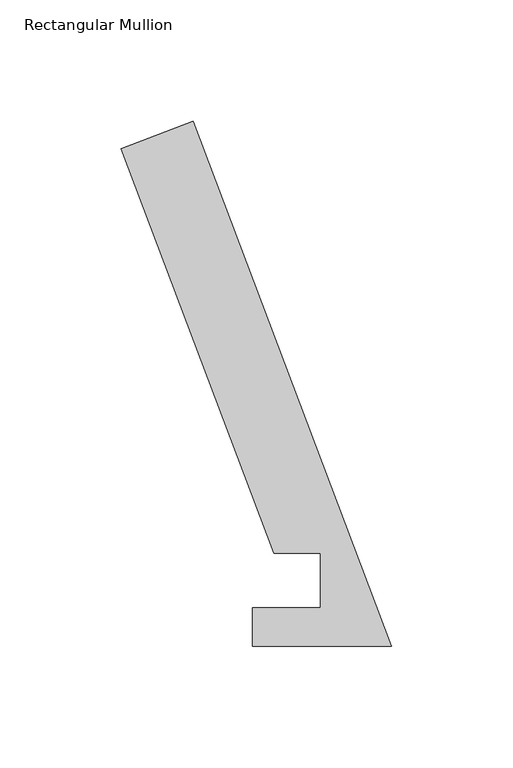
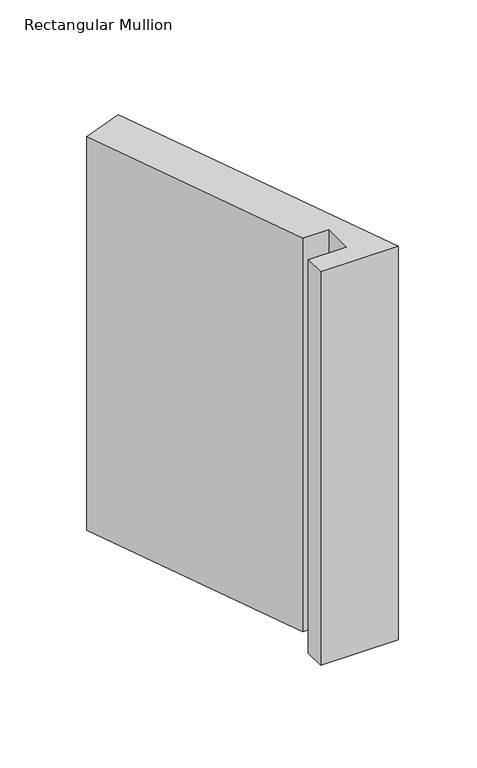
"""IFC4 building model written with IfcOpenShell, lengths in millimetres: member geometry, Rectangular Mullion."""

import ifcopenshell
import ifcopenshell.guid

model = None  # the IFC model being written
_history = None  # IfcOwnerHistory: only IFC2X3 demands one
_inside = {}  # id of a spatial element -> (the spatial element, [elements in it])
_under = {}  # id of a project, library or spatial element -> (it, [spatial elements below it])
_declared = {}  # id of a project -> (the project, [libraries it declares])
_typed = {}  # id of a type object -> (the type object, [elements of that type])
_made_of = {}  # id of a material, layer set ... -> (it, [elements and type objects made of it])


def new_model(schema):
    """Start an empty IFC model of exactly this schema.

    Asked for "IFC4X3", IfcOpenShell would pick the latest addendum, in which some entities
    have other attributes; the version numbers below select the first issue.
    IFC2X3 requires an IfcOwnerHistory on every rooted entity: one is made here for all.
    """
    global model, _history
    if schema == "IFC4X3":
        model = ifcopenshell.file(schema_version=(4, 3, 0, 0))
    else:
        model = ifcopenshell.file(schema=schema)
    _inside.clear()
    _under.clear()
    _declared.clear()
    _typed.clear()
    _made_of.clear()
    _history = None
    if model.schema == "IFC2X3":
        org = make("IfcOrganization", Name="unknown")
        user = make(
            "IfcPersonAndOrganization",
            ThePerson=make("IfcPerson", FamilyName="unknown"),
            TheOrganization=org,
        )
        app = make(
            "IfcApplication",
            ApplicationDeveloper=org,
            Version="unknown",
            ApplicationFullName="unknown",
            ApplicationIdentifier="unknown",
        )
        _history = make(
            "IfcOwnerHistory",
            OwningUser=user,
            OwningApplication=app,
            ChangeAction="ADDED",
            CreationDate=0,
        )
    return model


def make(cls, **values):
    """One entity of the class cls with the attributes given. An attribute that is None is left unset."""
    return model.create_entity(
        cls, **{name: value for name, value in values.items() if value is not None}
    )


def rooted(cls, **values):
    """An entity with a GlobalId (a new one), such as an element, a storey or a relation."""
    return make(cls, GlobalId=ifcopenshell.guid.new(), OwnerHistory=_history, **values)


def si_unit(unit_type, name, prefix=None):
    """IfcSIUnit, for example si_unit("LENGTHUNIT", "METRE", prefix="MILLI")."""
    return make("IfcSIUnit", UnitType=unit_type, Prefix=prefix, Name=name)


def assignment(units):
    """IfcUnitAssignment: the units of a project."""
    return None if units is None else make("IfcUnitAssignment", Units=units)


def point(xyz):
    """IfcCartesianPoint."""
    return None if xyz is None else make("IfcCartesianPoint", Coordinates=xyz)


def direction(xyz):
    """IfcDirection."""
    return None if xyz is None else make("IfcDirection", DirectionRatios=xyz)


def frame(location, z_axis=None, x_axis=None):
    """IfcAxis2Placement3D, a coordinate frame: its origin and axes. An axis left out is left unset."""
    return make(
        "IfcAxis2Placement3D",
        Location=point(location),
        Axis=direction(z_axis),
        RefDirection=direction(x_axis),
    )


def origin():
    """The frame at (0, 0, 0) with its axes left unset."""
    return frame((0.0, 0.0, 0.0))


def place(relative_to, where):
    """IfcLocalPlacement: puts the frame where relative to a parent placement (None: the world)."""
    return make(
        "IfcLocalPlacement", PlacementRelTo=relative_to, RelativePlacement=where
    )


def context(
    kind, dimensions, precision=None, world=None, true_north=None, identifier=None
):
    """IfcGeometricRepresentationContext, for example the 3D "Model" context."""
    return make(
        "IfcGeometricRepresentationContext",
        ContextIdentifier=identifier,
        ContextType=kind,
        CoordinateSpaceDimension=dimensions,
        Precision=precision,
        WorldCoordinateSystem=world,
        TrueNorth=true_north,
    )


def project(units=None, contexts=None):
    """IfcProject with its units and contexts."""
    return rooted(
        "IfcProject",
        Name="project",
        RepresentationContexts=contexts,
        UnitsInContext=assignment(units),
    )


def spatial(cls, under=None, at=None, **own):
    """A site, building, storey or space (cls), placed at a placement, below another one or the project."""
    s = rooted(cls, ObjectPlacement=at, **own)
    if under is not None:
        _under.setdefault(under.id(), (under, []))[1].append(s)
    return s


def polyline(points):
    """IfcPolyline through the points."""
    return make("IfcPolyline", Points=[point(p) for p in points])


def outline(outer, holes=None, kind="AREA"):
    """IfcArbitraryClosedProfileDef: a profile drawn as a closed curve; with holes, ...WithVoids."""
    if holes is None:
        return make("IfcArbitraryClosedProfileDef", ProfileType=kind, OuterCurve=outer)
    return make(
        "IfcArbitraryProfileDefWithVoids",
        ProfileType=kind,
        OuterCurve=outer,
        InnerCurves=holes,
    )


def extrude(swept, where, along, depth):
    """IfcExtrudedAreaSolid: the profile swept, set in the frame where, extruded along a direction by depth."""
    return make(
        "IfcExtrudedAreaSolid",
        SweptArea=swept,
        Position=where,
        ExtrudedDirection=direction(along),
        Depth=depth,
    )


def shape(context_of_items, identifier, shape_type, items):
    """IfcShapeRepresentation: the items that make up one representation, for example the "Body"."""
    return make(
        "IfcShapeRepresentation",
        ContextOfItems=context_of_items,
        RepresentationIdentifier=identifier,
        RepresentationType=shape_type,
        Items=items,
    )


def source(mapping_origin, context_of_items, identifier, shape_type, items):
    """IfcRepresentationMap: a shape defined once, which mapped items show again and again."""
    return make(
        "IfcRepresentationMap",
        MappingOrigin=mapping_origin,
        MappedRepresentation=shape(context_of_items, identifier, shape_type, items),
    )


def transform(
    local_origin,
    x_axis=None,
    y_axis=None,
    z_axis=None,
    scale=None,
    scale2=None,
    scale3=None,
    uniform=True,
):
    """IfcCartesianTransformationOperator3D, or its non-uniform kind. x_axis, y_axis, z_axis: its Axis1, 2, 3."""
    if uniform:
        return make(
            "IfcCartesianTransformationOperator3D",
            Axis1=direction(x_axis),
            Axis2=direction(y_axis),
            LocalOrigin=point(local_origin),
            Scale=scale,
            Axis3=direction(z_axis),
        )
    return make(
        "IfcCartesianTransformationOperator3DnonUniform",
        Axis1=direction(x_axis),
        Axis2=direction(y_axis),
        LocalOrigin=point(local_origin),
        Scale=scale,
        Axis3=direction(z_axis),
        Scale2=scale2,
        Scale3=scale3,
    )


def mapped(mapping_source, mapping_target):
    """IfcMappedItem: shows the shape of a source again, moved by a transform."""
    return make(
        "IfcMappedItem", MappingSource=mapping_source, MappingTarget=mapping_target
    )


def made_of(thing, what):
    """Note that an element or type object is made of a material, layer set ...; save() writes the relation."""
    if what is not None:
        _made_of.setdefault(what.id(), (what, []))[1].append(thing)
    return thing


def element(
    cls,
    number,
    at=None,
    inside=None,
    cuts=None,
    type_object=None,
    material=None,
    context=None,
    identifier="Body",
    shape_type=None,
    held_by="IfcProductDefinitionShape",
    body=None,
    shapes=None,
    **own,
):
    """One element of the class cls, such as IfcWall. Its Tag is "e" and its number.

    at: its placement. inside: the storey or other place that contains it. cuts: it is an
    opening in that element (IfcRelVoidsElement). A single representation is given by context,
    identifier, shape_type and body (its items); several are given by shapes. held_by: the class
    of the entity that holds the representations. save() writes the other relations.
    """
    e = rooted(cls, Tag="e%d" % number, ObjectPlacement=at, **own)
    if body is not None:
        shapes = [shape(context, identifier, shape_type, body)]
    if shapes is not None:
        e.Representation = make(held_by, Representations=shapes)
    if inside is not None:
        _inside.setdefault(inside.id(), (inside, []))[1].append(e)
    if cuts is not None:
        rooted(
            "IfcRelVoidsElement", RelatingBuildingElement=cuts, RelatedOpeningElement=e
        )
    if type_object is not None:
        _typed.setdefault(type_object.id(), (type_object, []))[1].append(e)
    return made_of(e, material)


def aggregate(whole, parts):
    """IfcRelAggregates: a whole, such as a stair, and the parts it consists of."""
    return rooted("IfcRelAggregates", RelatingObject=whole, RelatedObjects=parts)


def save(model, path):
    """Write the relations noted so far, then the file.

    IfcRelAggregates (storeys below a building ...), IfcRelContainedInSpatialStructure (elements
    in a storey), IfcRelDefinesByType, IfcRelAssociatesMaterial and IfcRelDeclares: one each for
    every whole, place, type object, material and project.
    """
    for whole, parts in _under.values():
        aggregate(whole, parts)
    for where, things in _inside.values():
        rooted(
            "IfcRelContainedInSpatialStructure",
            RelatedElements=things,
            RelatingStructure=where,
        )
    for kind, things in _typed.values():
        rooted("IfcRelDefinesByType", RelatedObjects=things, RelatingType=kind)
    for what, things in _made_of.values():
        rooted("IfcRelAssociatesMaterial", RelatedObjects=things, RelatingMaterial=what)
    for by, libraries in _declared.values():
        rooted("IfcRelDeclares", RelatingContext=by, RelatedDefinitions=libraries)
    model.write(path)


def rectangular_mullion_66ad6839(model_context):
    return source(origin(), model_context, "Body", "SweptSolid", [
        extrude(outline(polyline([(-111.4156088, 205.0070695), (-81.7285764, 216.2248642), (0.0, -0.0635374), (-57.277, -0.0635374), (-57.277, 15.8114626), (-29.3735907, 15.8114626), (-29.3735907, 38.2984375), (-48.4216661, 38.2984375), (-111.4156088, 205.0070695)])), frame((0.0, 0.0, -307.0610615), z_axis=(0.0, 0.0, 1.0), x_axis=(1.0, 0.0, 0.0)), (0.0, 0.0, 1.0), 307.0610615),
    ])


if __name__ == "__main__":
    model = new_model("IFC4")
    model_context = context("Model", 3, world=origin())
    ifc_project = project(units=[si_unit("LENGTHUNIT", "METRE", prefix="MILLI")], contexts=[model_context])
    site = spatial("IfcSite", under=ifc_project)
    building = spatial("IfcBuilding", under=site)
    placement = place(None, origin())
    rectangular_mullion_shape = rectangular_mullion_66ad6839(model_context)
    element("IfcMember", 1, ObjectType="Rectangular Mullion", at=placement, inside=building, context=model_context, shape_type="MappedRepresentation", body=[
        mapped(rectangular_mullion_shape, transform((0.0, 0.0, 0.0), x_axis=(1.0, 0.0, 0.0), y_axis=(0.0, 1.0, 0.0), z_axis=(0.0, 0.0, 1.0))),
    ])
    save(model, "model.ifc")
